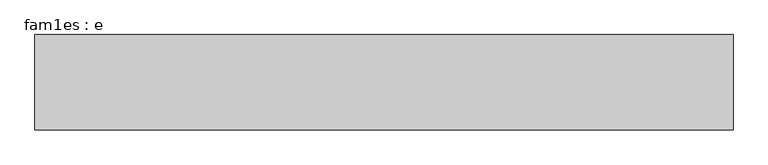
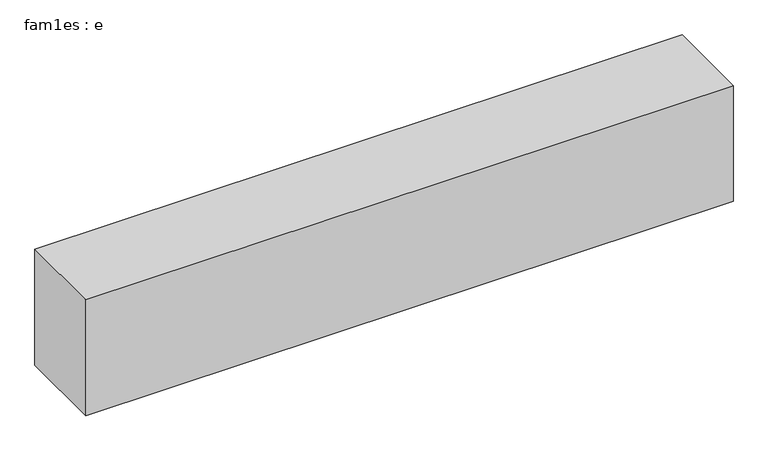
"""IFC4 building model written with IfcOpenShell, lengths in millimetres: proxy geometry, fam1es : e."""

from ifc_helpers import new_model, si_unit, frame, origin, place, context, project, spatial, polyline, outline, extrude, source, transform, mapped, element, save


def fam1es_e_835acbe5(model_context):
    return source(origin(), model_context, "Body", "SweptSolid", [
        extrude(outline(polyline([(55000.0, 7500.0), (55000.0, 0.0), (0.0, 0.0), (0.0, 7500.0), (55000.0, 7500.0)])), frame((0.0, 0.0, -400.0), z_axis=(0.0, 0.0, 1.0), x_axis=(1.0, 0.0, 0.0)), (0.0, 0.0, 1.0), 10400.0),
    ])


if __name__ == "__main__":
    model = new_model("IFC4")
    model_context = context("Model", 3, world=origin())
    ifc_project = project(units=[si_unit("LENGTHUNIT", "METRE", prefix="MILLI")], contexts=[model_context])
    site = spatial("IfcSite", under=ifc_project)
    building = spatial("IfcBuilding", under=site)
    placement = place(None, origin())
    fam1es_e_shape = fam1es_e_835acbe5(model_context)
    element("IfcBuildingElementProxy", 1, Name="fam1es : e", ObjectType="fam1es : e", at=placement, inside=building, context=model_context, shape_type="MappedRepresentation", body=[
        mapped(fam1es_e_shape, transform((0.0, 0.0, 0.0), x_axis=(1.0, 0.0, 0.0), y_axis=(0.0, 1.0, 0.0), z_axis=(0.0, 0.0, 1.0))),
    ])
    save(model, "model.ifc")
